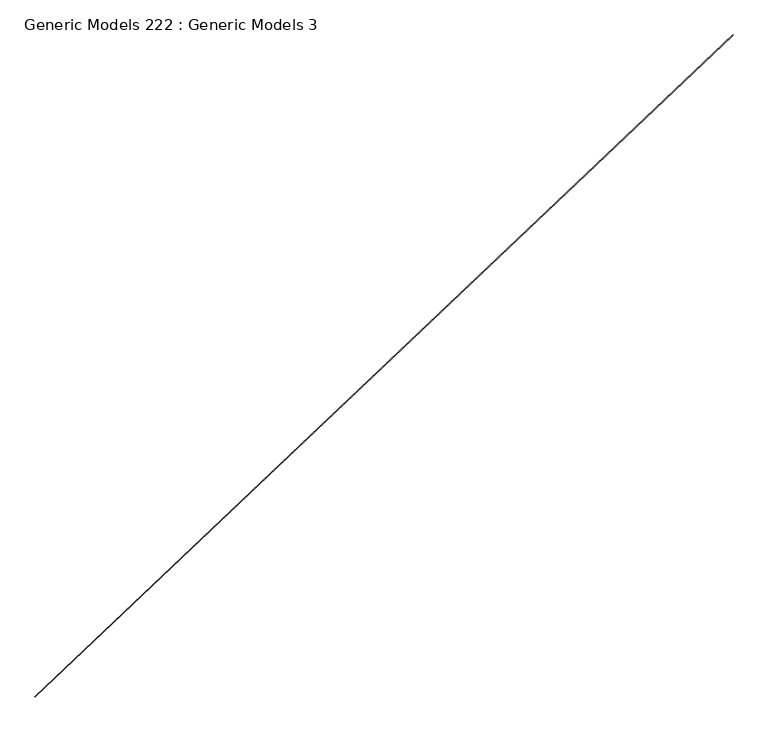
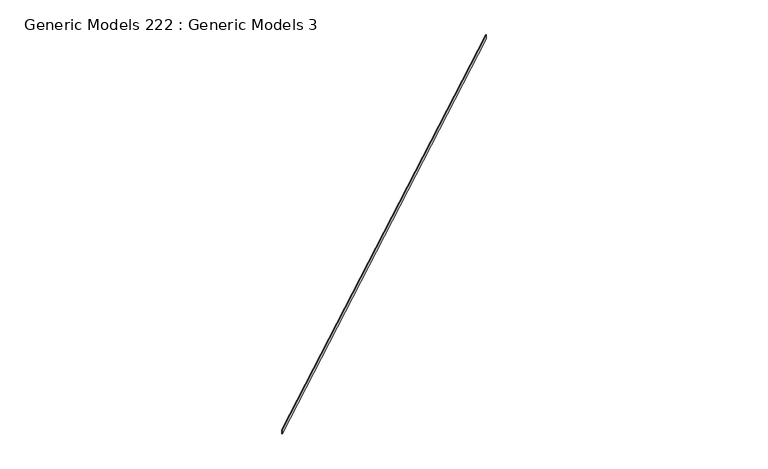
"""IFC4 building model written with IfcOpenShell, lengths in millimetres: proxy geometry, Generic Models 222 : Generic Models 3."""

from ifc_helpers import new_model, si_unit, frame, origin, place, context, project, spatial, polyline, outline, extrude, source, transform, mapped, element, save


def generic_models_222_generic_models_3_9dfbeec5(model_context):
    return source(origin(), model_context, "Body", "SweptSolid", [
        extrude(outline(polyline([(111137.9158108, 51894.5539133), (111139.0085737, 51893.4023815), (107852.5367766, 48774.6570966), (107851.4440137, 48775.8086284), (111137.9158108, 51894.5539133)])), frame((0.0, 0.0, 18680.0017036), z_axis=(0.0, 0.0, 1.0), x_axis=(1.0, 0.0, 0.0)), (0.0, 0.0, 1.0), 29.5275677),
    ])


if __name__ == "__main__":
    model = new_model("IFC4")
    model_context = context("Model", 3, world=origin())
    ifc_project = project(units=[si_unit("LENGTHUNIT", "METRE", prefix="MILLI")], contexts=[model_context])
    site = spatial("IfcSite", under=ifc_project)
    building = spatial("IfcBuilding", under=site)
    placement = place(None, origin())
    generic_models_222_generic_models_3_shape = generic_models_222_generic_models_3_9dfbeec5(model_context)
    element("IfcBuildingElementProxy", 1, Name="Generic Models 222 : Generic Models 3", ObjectType="Generic Models 222 : Generic Models 3", at=placement, inside=building, context=model_context, shape_type="MappedRepresentation", body=[
        mapped(generic_models_222_generic_models_3_shape, transform((0.0, 0.0, 0.0), x_axis=(1.0, 0.0, 0.0), y_axis=(0.0, 1.0, 0.0), z_axis=(0.0, 0.0, 1.0))),
    ])
    save(model, "model.ifc")
